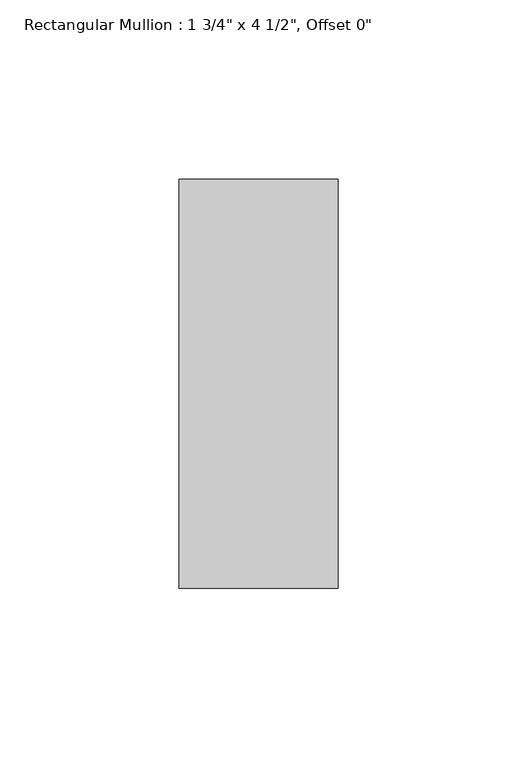
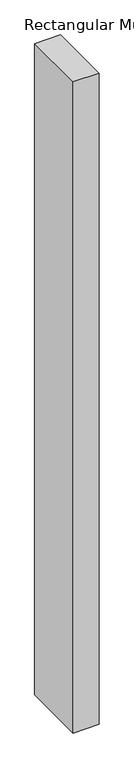
"""IFC4 building model written with IfcOpenShell, lengths in millimetres: member geometry."""

from ifc_helpers import new_model, si_unit, frame, origin, place, context, project, spatial, polyline, outline, extrude, source, transform, mapped, element, save


def member_0a6f072b(model_context):
    return source(origin(), model_context, "Body", "SweptSolid", [
        extrude(outline(polyline([(0.0, 57.15), (0.0, -57.15), (-44.45, -57.15), (-44.45, 57.15), (0.0, 57.15)])), frame((0.0, 0.0, -1177.925), z_axis=(0.0, 0.0, 1.0), x_axis=(1.0, 0.0, 0.0)), (0.0, 0.0, 1.0), 1177.925),
    ])


if __name__ == "__main__":
    model = new_model("IFC4")
    model_context = context("Model", 3, world=origin())
    ifc_project = project(units=[si_unit("LENGTHUNIT", "METRE", prefix="MILLI")], contexts=[model_context])
    site = spatial("IfcSite", under=ifc_project)
    building = spatial("IfcBuilding", under=site)
    placement = place(None, origin())
    member_shape = member_0a6f072b(model_context)
    element("IfcMember", 1, ObjectType="Rectangular Mullion : 1 3/4\" x 4 1/2\", Offset 0\"", at=placement, inside=building, context=model_context, shape_type="MappedRepresentation", body=[
        mapped(member_shape, transform((0.0, 0.0, 0.0), x_axis=(1.0, 0.0, 0.0), y_axis=(0.0, 1.0, 0.0), z_axis=(0.0, 0.0, 1.0))),
    ])
    save(model, "model.ifc")
